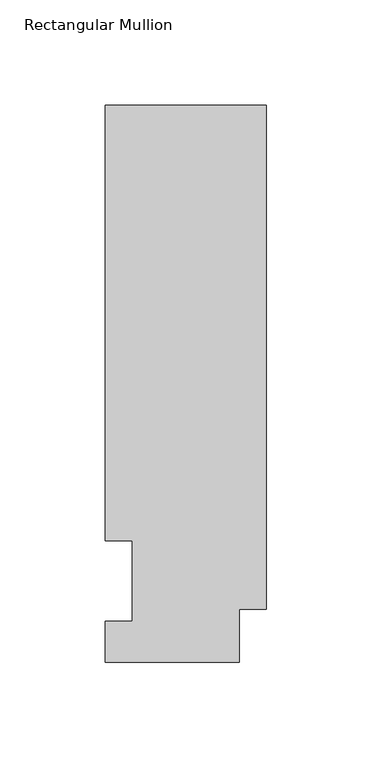
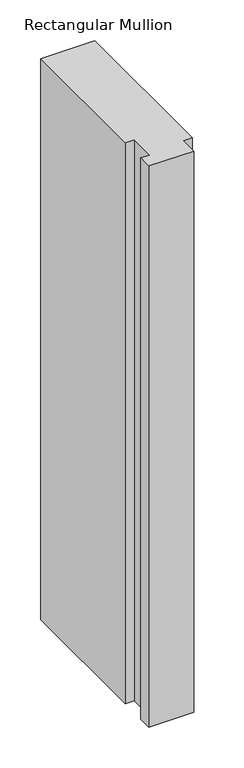
"""IFC4 building model written with IfcOpenShell, lengths in millimetres: member geometry, Rectangular Mullion."""

import ifcopenshell
import ifcopenshell.guid

model = None  # the IFC model being written
_history = None  # IfcOwnerHistory: only IFC2X3 demands one
_inside = {}  # id of a spatial element -> (the spatial element, [elements in it])
_under = {}  # id of a project, library or spatial element -> (it, [spatial elements below it])
_declared = {}  # id of a project -> (the project, [libraries it declares])
_typed = {}  # id of a type object -> (the type object, [elements of that type])
_made_of = {}  # id of a material, layer set ... -> (it, [elements and type objects made of it])


def new_model(schema):
    """Start an empty IFC model of exactly this schema.

    Asked for "IFC4X3", IfcOpenShell would pick the latest addendum, in which some entities
    have other attributes; the version numbers below select the first issue.
    IFC2X3 requires an IfcOwnerHistory on every rooted entity: one is made here for all.
    """
    global model, _history
    if schema == "IFC4X3":
        model = ifcopenshell.file(schema_version=(4, 3, 0, 0))
    else:
        model = ifcopenshell.file(schema=schema)
    _inside.clear()
    _under.clear()
    _declared.clear()
    _typed.clear()
    _made_of.clear()
    _history = None
    if model.schema == "IFC2X3":
        org = make("IfcOrganization", Name="unknown")
        user = make(
            "IfcPersonAndOrganization",
            ThePerson=make("IfcPerson", FamilyName="unknown"),
            TheOrganization=org,
        )
        app = make(
            "IfcApplication",
            ApplicationDeveloper=org,
            Version="unknown",
            ApplicationFullName="unknown",
            ApplicationIdentifier="unknown",
        )
        _history = make(
            "IfcOwnerHistory",
            OwningUser=user,
            OwningApplication=app,
            ChangeAction="ADDED",
            CreationDate=0,
        )
    return model


def make(cls, **values):
    """One entity of the class cls with the attributes given. An attribute that is None is left unset."""
    return model.create_entity(
        cls, **{name: value for name, value in values.items() if value is not None}
    )


def rooted(cls, **values):
    """An entity with a GlobalId (a new one), such as an element, a storey or a relation."""
    return make(cls, GlobalId=ifcopenshell.guid.new(), OwnerHistory=_history, **values)


def si_unit(unit_type, name, prefix=None):
    """IfcSIUnit, for example si_unit("LENGTHUNIT", "METRE", prefix="MILLI")."""
    return make("IfcSIUnit", UnitType=unit_type, Prefix=prefix, Name=name)


def assignment(units):
    """IfcUnitAssignment: the units of a project."""
    return None if units is None else make("IfcUnitAssignment", Units=units)


def point(xyz):
    """IfcCartesianPoint."""
    return None if xyz is None else make("IfcCartesianPoint", Coordinates=xyz)


def direction(xyz):
    """IfcDirection."""
    return None if xyz is None else make("IfcDirection", DirectionRatios=xyz)


def frame(location, z_axis=None, x_axis=None):
    """IfcAxis2Placement3D, a coordinate frame: its origin and axes. An axis left out is left unset."""
    return make(
        "IfcAxis2Placement3D",
        Location=point(location),
        Axis=direction(z_axis),
        RefDirection=direction(x_axis),
    )


def origin():
    """The frame at (0, 0, 0) with its axes left unset."""
    return frame((0.0, 0.0, 0.0))


def place(relative_to, where):
    """IfcLocalPlacement: puts the frame where relative to a parent placement (None: the world)."""
    return make(
        "IfcLocalPlacement", PlacementRelTo=relative_to, RelativePlacement=where
    )


def context(
    kind, dimensions, precision=None, world=None, true_north=None, identifier=None
):
    """IfcGeometricRepresentationContext, for example the 3D "Model" context."""
    return make(
        "IfcGeometricRepresentationContext",
        ContextIdentifier=identifier,
        ContextType=kind,
        CoordinateSpaceDimension=dimensions,
        Precision=precision,
        WorldCoordinateSystem=world,
        TrueNorth=true_north,
    )


def project(units=None, contexts=None):
    """IfcProject with its units and contexts."""
    return rooted(
        "IfcProject",
        Name="project",
        RepresentationContexts=contexts,
        UnitsInContext=assignment(units),
    )


def spatial(cls, under=None, at=None, **own):
    """A site, building, storey or space (cls), placed at a placement, below another one or the project."""
    s = rooted(cls, ObjectPlacement=at, **own)
    if under is not None:
        _under.setdefault(under.id(), (under, []))[1].append(s)
    return s


def polyline(points):
    """IfcPolyline through the points."""
    return make("IfcPolyline", Points=[point(p) for p in points])


def outline(outer, holes=None, kind="AREA"):
    """IfcArbitraryClosedProfileDef: a profile drawn as a closed curve; with holes, ...WithVoids."""
    if holes is None:
        return make("IfcArbitraryClosedProfileDef", ProfileType=kind, OuterCurve=outer)
    return make(
        "IfcArbitraryProfileDefWithVoids",
        ProfileType=kind,
        OuterCurve=outer,
        InnerCurves=holes,
    )


def extrude(swept, where, along, depth):
    """IfcExtrudedAreaSolid: the profile swept, set in the frame where, extruded along a direction by depth."""
    return make(
        "IfcExtrudedAreaSolid",
        SweptArea=swept,
        Position=where,
        ExtrudedDirection=direction(along),
        Depth=depth,
    )


def shape(context_of_items, identifier, shape_type, items):
    """IfcShapeRepresentation: the items that make up one representation, for example the "Body"."""
    return make(
        "IfcShapeRepresentation",
        ContextOfItems=context_of_items,
        RepresentationIdentifier=identifier,
        RepresentationType=shape_type,
        Items=items,
    )


def source(mapping_origin, context_of_items, identifier, shape_type, items):
    """IfcRepresentationMap: a shape defined once, which mapped items show again and again."""
    return make(
        "IfcRepresentationMap",
        MappingOrigin=mapping_origin,
        MappedRepresentation=shape(context_of_items, identifier, shape_type, items),
    )


def transform(
    local_origin,
    x_axis=None,
    y_axis=None,
    z_axis=None,
    scale=None,
    scale2=None,
    scale3=None,
    uniform=True,
):
    """IfcCartesianTransformationOperator3D, or its non-uniform kind. x_axis, y_axis, z_axis: its Axis1, 2, 3."""
    if uniform:
        return make(
            "IfcCartesianTransformationOperator3D",
            Axis1=direction(x_axis),
            Axis2=direction(y_axis),
            LocalOrigin=point(local_origin),
            Scale=scale,
            Axis3=direction(z_axis),
        )
    return make(
        "IfcCartesianTransformationOperator3DnonUniform",
        Axis1=direction(x_axis),
        Axis2=direction(y_axis),
        LocalOrigin=point(local_origin),
        Scale=scale,
        Axis3=direction(z_axis),
        Scale2=scale2,
        Scale3=scale3,
    )


def mapped(mapping_source, mapping_target):
    """IfcMappedItem: shows the shape of a source again, moved by a transform."""
    return make(
        "IfcMappedItem", MappingSource=mapping_source, MappingTarget=mapping_target
    )


def made_of(thing, what):
    """Note that an element or type object is made of a material, layer set ...; save() writes the relation."""
    if what is not None:
        _made_of.setdefault(what.id(), (what, []))[1].append(thing)
    return thing


def element(
    cls,
    number,
    at=None,
    inside=None,
    cuts=None,
    type_object=None,
    material=None,
    context=None,
    identifier="Body",
    shape_type=None,
    held_by="IfcProductDefinitionShape",
    body=None,
    shapes=None,
    **own,
):
    """One element of the class cls, such as IfcWall. Its Tag is "e" and its number.

    at: its placement. inside: the storey or other place that contains it. cuts: it is an
    opening in that element (IfcRelVoidsElement). A single representation is given by context,
    identifier, shape_type and body (its items); several are given by shapes. held_by: the class
    of the entity that holds the representations. save() writes the other relations.
    """
    e = rooted(cls, Tag="e%d" % number, ObjectPlacement=at, **own)
    if body is not None:
        shapes = [shape(context, identifier, shape_type, body)]
    if shapes is not None:
        e.Representation = make(held_by, Representations=shapes)
    if inside is not None:
        _inside.setdefault(inside.id(), (inside, []))[1].append(e)
    if cuts is not None:
        rooted(
            "IfcRelVoidsElement", RelatingBuildingElement=cuts, RelatedOpeningElement=e
        )
    if type_object is not None:
        _typed.setdefault(type_object.id(), (type_object, []))[1].append(e)
    return made_of(e, material)


def aggregate(whole, parts):
    """IfcRelAggregates: a whole, such as a stair, and the parts it consists of."""
    return rooted("IfcRelAggregates", RelatingObject=whole, RelatedObjects=parts)


def save(model, path):
    """Write the relations noted so far, then the file.

    IfcRelAggregates (storeys below a building ...), IfcRelContainedInSpatialStructure (elements
    in a storey), IfcRelDefinesByType, IfcRelAssociatesMaterial and IfcRelDeclares: one each for
    every whole, place, type object, material and project.
    """
    for whole, parts in _under.values():
        aggregate(whole, parts)
    for where, things in _inside.values():
        rooted(
            "IfcRelContainedInSpatialStructure",
            RelatedElements=things,
            RelatingStructure=where,
        )
    for kind, things in _typed.values():
        rooted("IfcRelDefinesByType", RelatedObjects=things, RelatingType=kind)
    for what, things in _made_of.values():
        rooted("IfcRelAssociatesMaterial", RelatedObjects=things, RelatingMaterial=what)
    for by, libraries in _declared.values():
        rooted("IfcRelDeclares", RelatingContext=by, RelatedDefinitions=libraries)
    model.write(path)


def rectangular_mullion_d8995bc5(model_context):
    return source(origin(), model_context, "Body", "SweptSolid", [
        extrude(outline(polyline([(-76.2, 264.0210938), (0.0, 264.0210938), (0.0, 25.0832937), (-12.7, 25.0832937), (-12.7, 0.0134938), (-76.2, 0.0134938), (-76.2, 19.5460937), (-63.5, 19.5460937), (-63.5, 57.6460937), (-76.2, 57.6460937), (-76.2, 264.0210938)])), frame((0.0, 0.0, -838.2), z_axis=(0.0, 0.0, 1.0), x_axis=(1.0, 0.0, 0.0)), (0.0, 0.0, 1.0), 838.2),
    ])


if __name__ == "__main__":
    model = new_model("IFC4")
    model_context = context("Model", 3, world=origin())
    ifc_project = project(units=[si_unit("LENGTHUNIT", "METRE", prefix="MILLI")], contexts=[model_context])
    site = spatial("IfcSite", under=ifc_project)
    building = spatial("IfcBuilding", under=site)
    placement = place(None, origin())
    rectangular_mullion_shape = rectangular_mullion_d8995bc5(model_context)
    element("IfcMember", 1, ObjectType="Rectangular Mullion", at=placement, inside=building, context=model_context, shape_type="MappedRepresentation", body=[
        mapped(rectangular_mullion_shape, transform((0.0, 0.0, 0.0), x_axis=(1.0, 0.0, 0.0), y_axis=(0.0, 1.0, 0.0), z_axis=(0.0, 0.0, 1.0))),
    ])
    save(model, "model.ifc")
